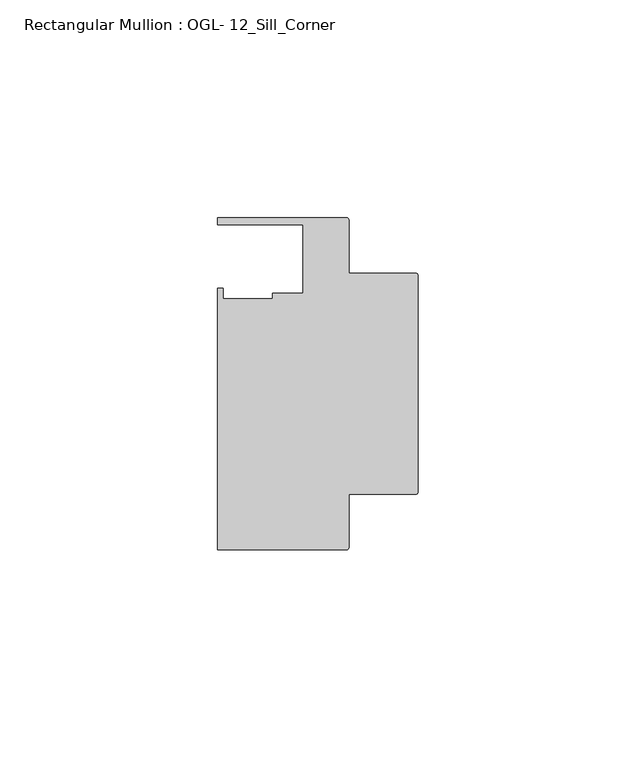
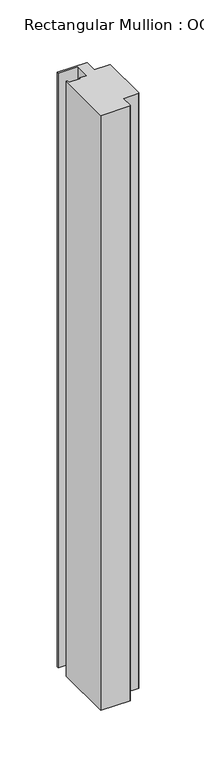
"""IFC4 building model written with IfcOpenShell, lengths in millimetres: member geometry, Rectangular Mullion : OGL- 12_Sill_Corner."""

from ifc_helpers import new_model, si_unit, point, frame, frame_2d, origin, place, context, project, spatial, polyline, circle_curve, trimmed, segment, composite_curve, outline, extrude, source, transform, mapped, element, save


def rectangular_mullion_ogl_12_sill_corner_1e2b4232(model_context):
    return source(origin(), model_context, "Body", "SweptSolid", [
        extrude(outline(composite_curve([segment(polyline([(-0.5953125, -55.5625), (-15.8750672, -55.5625), (-15.8750672, -67.6668667)]), True, "CONTINUOUS"), segment(trimmed(circle_curve(frame_2d((-16.4703797, -67.6668667)), 0.5953125), [point((-15.8750672, -67.6668667))], [point((-16.4703797, -68.2621792))], False, "CARTESIAN"), True, "CONTINUOUS"), segment(polyline([(-16.4703797, -68.2621792), (-46.0339598, -68.2621792), (-46.0339598, -8.1914024), (-44.7780305, -8.1914024), (-44.7780305, -10.6800725), (-33.3985545, -10.6800725), (-33.3985545, -9.3367652), (-26.3720794, -9.3367652), (-26.3720794, 6.350016), (-46.0248655, 6.350016), (-46.0248655, 7.937516), (-16.4703797, 7.937516)]), True, "CONTINUOUS"), segment(trimmed(circle_curve(frame_2d((-16.4703797, 7.3422035)), 0.5953125), [point((-16.4703797, 7.937516))], [point((-15.8750672, 7.3422035))], False, "CARTESIAN"), True, "CONTINUOUS"), segment(polyline([(-15.8750672, 7.3422035), (-15.8750672, -4.7625), (-0.5953125, -4.7625)]), True, "CONTINUOUS"), segment(trimmed(circle_curve(frame_2d((-0.5953125, -5.3578125)), 0.5953125), [point((-0.5953125, -4.7625))], [point((0.0, -5.3578125))], False, "CARTESIAN"), True, "CONTINUOUS"), segment(polyline([(0.0, -5.3578125), (0.0, -54.9671875)]), True, "CONTINUOUS"), segment(trimmed(circle_curve(frame_2d((-0.5953125, -54.9671875)), 0.5953125), [point((0.0, -54.9671875))], [point((-0.5953125, -55.5625))], False, "CARTESIAN"), True, "CONTINUOUS")], self_intersect=False)), frame((0.0, 0.0, -635.0), z_axis=(0.0, 0.0, 1.0), x_axis=(1.0, 0.0, 0.0)), (0.0, 0.0, 1.0), 635.0),
    ])


if __name__ == "__main__":
    model = new_model("IFC4")
    model_context = context("Model", 3, world=origin())
    ifc_project = project(units=[si_unit("LENGTHUNIT", "METRE", prefix="MILLI")], contexts=[model_context])
    site = spatial("IfcSite", under=ifc_project)
    building = spatial("IfcBuilding", under=site)
    placement = place(None, origin())
    rectangular_mullion_ogl_12_sill_corner_shape = rectangular_mullion_ogl_12_sill_corner_1e2b4232(model_context)
    element("IfcMember", 1, ObjectType="Rectangular Mullion : OGL- 12_Sill_Corner", at=placement, inside=building, context=model_context, shape_type="MappedRepresentation", body=[
        mapped(rectangular_mullion_ogl_12_sill_corner_shape, transform((0.0, 0.0, 0.0), x_axis=(1.0, 0.0, 0.0), y_axis=(0.0, 1.0, 0.0), z_axis=(0.0, 0.0, 1.0))),
    ])
    save(model, "model.ifc")
